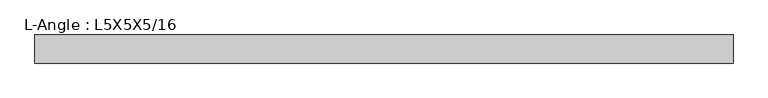
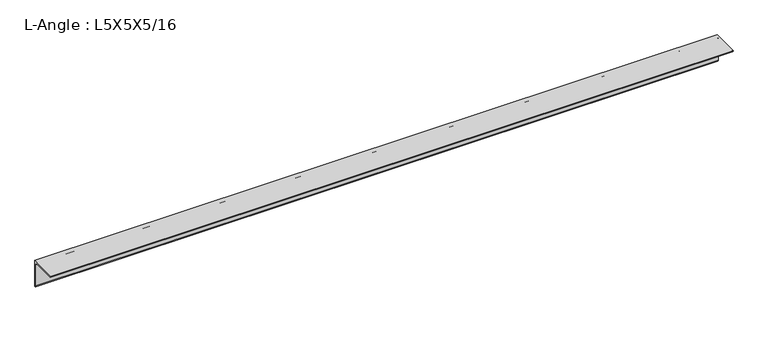
"""IFC4 building model written with IfcOpenShell, lengths in millimetres: beam geometry, L-Angle : L5X5X5/16."""

from ifc_helpers import new_model, si_unit, point, frame, frame_2d, origin, place, context, project, spatial, polyline, circle_curve, trimmed, segment, composite_curve, outline, extrude, source, transform, mapped, element, save


def l_angle_l5x5x5_16_bca3004f(model_context):
    return source(origin(), model_context, "Body", "SweptSolid", [
        extrude(outline(composite_curve([segment(polyline([(34.3296875, 34.3296875), (34.3296875, -92.6703125)]), True, "CONTINUOUS"), segment(trimmed(circle_curve(frame_2d((34.3296875, -84.7328125)), 7.9375), [point((34.3296875, -92.6703125))], [point((26.3921875, -84.7328125))], False, "CARTESIAN"), True, "CONTINUOUS"), segment(polyline([(26.3921875, -84.7328125), (26.3921875, 18.4546875)]), True, "CONTINUOUS"), segment(trimmed(circle_curve(frame_2d((18.4546875, 18.4546875)), 7.9375), [point((26.3921875, 18.4546875))], [point((18.4546875, 26.3921875))], True, "CARTESIAN"), True, "CONTINUOUS"), segment(polyline([(18.4546875, 26.3921875), (-84.7328125, 26.3921875)]), True, "CONTINUOUS"), segment(trimmed(circle_curve(frame_2d((-84.7328125, 34.3296875)), 7.9375), [point((-84.7328125, 26.3921875))], [point((-92.6703125, 34.3296875))], False, "CARTESIAN"), True, "CONTINUOUS"), segment(polyline([(-92.6703125, 34.3296875), (34.3296875, 34.3296875)]), True, "CONTINUOUS")], self_intersect=False)), frame((-1562.1, 0.0, 0.0), z_axis=(1.0, 0.0, 0.0), x_axis=(0.0, 1.0, 0.0)), (0.0, 0.0, 1.0), 3155.95),
    ])


if __name__ == "__main__":
    model = new_model("IFC4")
    model_context = context("Model", 3, world=origin())
    ifc_project = project(units=[si_unit("LENGTHUNIT", "METRE", prefix="MILLI")], contexts=[model_context])
    site = spatial("IfcSite", under=ifc_project)
    building = spatial("IfcBuilding", under=site)
    placement = place(None, origin())
    l_angle_l5x5x5_16_shape = l_angle_l5x5x5_16_bca3004f(model_context)
    element("IfcBeam", 1, ObjectType="L-Angle : L5X5X5/16", at=placement, inside=building, context=model_context, shape_type="MappedRepresentation", body=[
        mapped(l_angle_l5x5x5_16_shape, transform((0.0, 0.0, 0.0), x_axis=(1.0, 0.0, 0.0), y_axis=(0.0, 1.0, 0.0), z_axis=(0.0, 0.0, 1.0))),
    ])
    save(model, "model.ifc")
